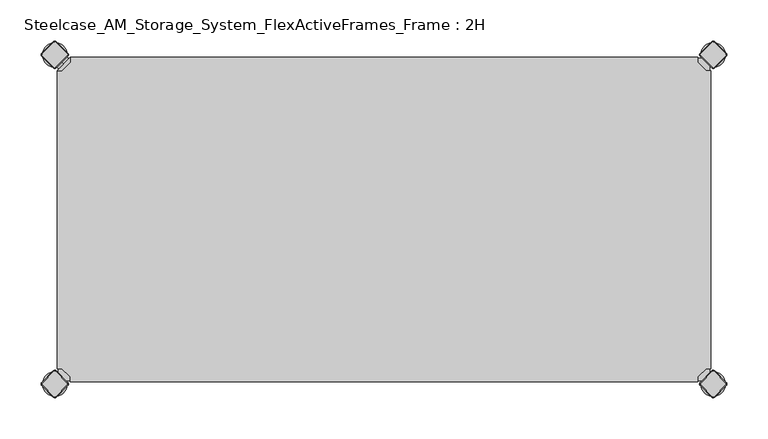
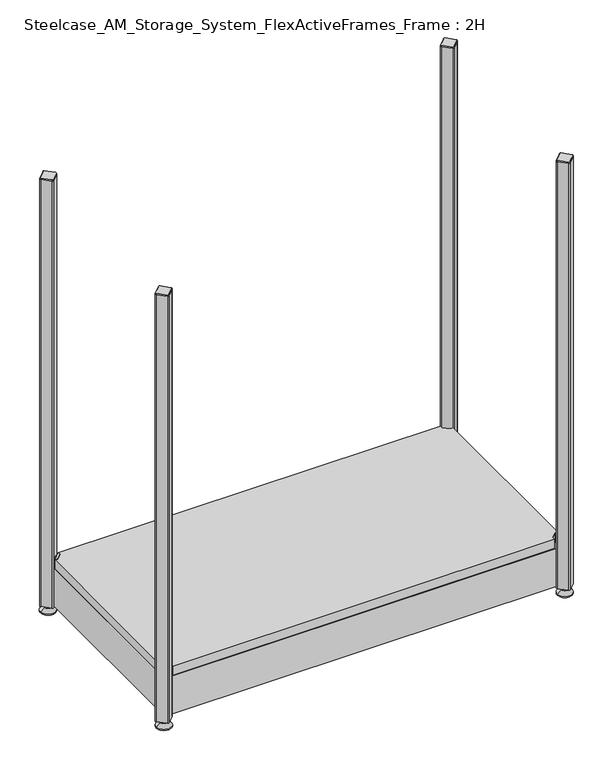
"""IFC4 building model written with IfcOpenShell, lengths in millimetres: furniture geometry, Steelcase_AM_Storage_System_FlexActiveFrames_Frame : 2H."""

import ifcopenshell
import ifcopenshell.guid

model = None  # the IFC model being written
_history = None  # IfcOwnerHistory: only IFC2X3 demands one
_inside = {}  # id of a spatial element -> (the spatial element, [elements in it])
_under = {}  # id of a project, library or spatial element -> (it, [spatial elements below it])
_declared = {}  # id of a project -> (the project, [libraries it declares])
_typed = {}  # id of a type object -> (the type object, [elements of that type])
_made_of = {}  # id of a material, layer set ... -> (it, [elements and type objects made of it])


def new_model(schema):
    """Start an empty IFC model of exactly this schema.

    Asked for "IFC4X3", IfcOpenShell would pick the latest addendum, in which some entities
    have other attributes; the version numbers below select the first issue.
    IFC2X3 requires an IfcOwnerHistory on every rooted entity: one is made here for all.
    """
    global model, _history
    if schema == "IFC4X3":
        model = ifcopenshell.file(schema_version=(4, 3, 0, 0))
    else:
        model = ifcopenshell.file(schema=schema)
    _inside.clear()
    _under.clear()
    _declared.clear()
    _typed.clear()
    _made_of.clear()
    _history = None
    if model.schema == "IFC2X3":
        org = make("IfcOrganization", Name="unknown")
        user = make(
            "IfcPersonAndOrganization",
            ThePerson=make("IfcPerson", FamilyName="unknown"),
            TheOrganization=org,
        )
        app = make(
            "IfcApplication",
            ApplicationDeveloper=org,
            Version="unknown",
            ApplicationFullName="unknown",
            ApplicationIdentifier="unknown",
        )
        _history = make(
            "IfcOwnerHistory",
            OwningUser=user,
            OwningApplication=app,
            ChangeAction="ADDED",
            CreationDate=0,
        )
    return model


def make(cls, **values):
    """One entity of the class cls with the attributes given. An attribute that is None is left unset."""
    return model.create_entity(
        cls, **{name: value for name, value in values.items() if value is not None}
    )


def rooted(cls, **values):
    """An entity with a GlobalId (a new one), such as an element, a storey or a relation."""
    return make(cls, GlobalId=ifcopenshell.guid.new(), OwnerHistory=_history, **values)


def si_unit(unit_type, name, prefix=None):
    """IfcSIUnit, for example si_unit("LENGTHUNIT", "METRE", prefix="MILLI")."""
    return make("IfcSIUnit", UnitType=unit_type, Prefix=prefix, Name=name)


def assignment(units):
    """IfcUnitAssignment: the units of a project."""
    return None if units is None else make("IfcUnitAssignment", Units=units)


def point(xyz):
    """IfcCartesianPoint."""
    return None if xyz is None else make("IfcCartesianPoint", Coordinates=xyz)


def direction(xyz):
    """IfcDirection."""
    return None if xyz is None else make("IfcDirection", DirectionRatios=xyz)


def frame(location, z_axis=None, x_axis=None):
    """IfcAxis2Placement3D, a coordinate frame: its origin and axes. An axis left out is left unset."""
    return make(
        "IfcAxis2Placement3D",
        Location=point(location),
        Axis=direction(z_axis),
        RefDirection=direction(x_axis),
    )


def frame_2d(location, x_axis=None):
    """IfcAxis2Placement2D, a coordinate frame in the plane: its origin and x axis."""
    return make(
        "IfcAxis2Placement2D", Location=point(location), RefDirection=direction(x_axis)
    )


def origin():
    """The frame at (0, 0, 0) with its axes left unset."""
    return frame((0.0, 0.0, 0.0))


def place(relative_to, where):
    """IfcLocalPlacement: puts the frame where relative to a parent placement (None: the world)."""
    return make(
        "IfcLocalPlacement", PlacementRelTo=relative_to, RelativePlacement=where
    )


def context(
    kind, dimensions, precision=None, world=None, true_north=None, identifier=None
):
    """IfcGeometricRepresentationContext, for example the 3D "Model" context."""
    return make(
        "IfcGeometricRepresentationContext",
        ContextIdentifier=identifier,
        ContextType=kind,
        CoordinateSpaceDimension=dimensions,
        Precision=precision,
        WorldCoordinateSystem=world,
        TrueNorth=true_north,
    )


def project(units=None, contexts=None):
    """IfcProject with its units and contexts."""
    return rooted(
        "IfcProject",
        Name="project",
        RepresentationContexts=contexts,
        UnitsInContext=assignment(units),
    )


def spatial(cls, under=None, at=None, **own):
    """A site, building, storey or space (cls), placed at a placement, below another one or the project."""
    s = rooted(cls, ObjectPlacement=at, **own)
    if under is not None:
        _under.setdefault(under.id(), (under, []))[1].append(s)
    return s


def polyline(points):
    """IfcPolyline through the points."""
    return make("IfcPolyline", Points=[point(p) for p in points])


def circle_curve(where, radius):
    """IfcCircle in the frame where."""
    return make("IfcCircle", Position=where, Radius=radius)


def trimmed(basis, trim1, trim2, sense, master):
    """IfcTrimmedCurve: the piece of a basis curve between two trims."""
    return make(
        "IfcTrimmedCurve",
        BasisCurve=basis,
        Trim1=trim1,
        Trim2=trim2,
        SenseAgreement=sense,
        MasterRepresentation=master,
    )


def segment(curve, same_sense, transition):
    """IfcCompositeCurveSegment."""
    return make(
        "IfcCompositeCurveSegment",
        Transition=transition,
        SameSense=same_sense,
        ParentCurve=curve,
    )


def composite_curve(segments, self_intersect=None):
    """IfcCompositeCurve: segments joined end to end."""
    return make("IfcCompositeCurve", Segments=segments, SelfIntersect=self_intersect)


def outline(outer, holes=None, kind="AREA"):
    """IfcArbitraryClosedProfileDef: a profile drawn as a closed curve; with holes, ...WithVoids."""
    if holes is None:
        return make("IfcArbitraryClosedProfileDef", ProfileType=kind, OuterCurve=outer)
    return make(
        "IfcArbitraryProfileDefWithVoids",
        ProfileType=kind,
        OuterCurve=outer,
        InnerCurves=holes,
    )


def extrude(swept, where, along, depth):
    """IfcExtrudedAreaSolid: the profile swept, set in the frame where, extruded along a direction by depth."""
    return make(
        "IfcExtrudedAreaSolid",
        SweptArea=swept,
        Position=where,
        ExtrudedDirection=direction(along),
        Depth=depth,
    )


def shape(context_of_items, identifier, shape_type, items):
    """IfcShapeRepresentation: the items that make up one representation, for example the "Body"."""
    return make(
        "IfcShapeRepresentation",
        ContextOfItems=context_of_items,
        RepresentationIdentifier=identifier,
        RepresentationType=shape_type,
        Items=items,
    )


def source(mapping_origin, context_of_items, identifier, shape_type, items):
    """IfcRepresentationMap: a shape defined once, which mapped items show again and again."""
    return make(
        "IfcRepresentationMap",
        MappingOrigin=mapping_origin,
        MappedRepresentation=shape(context_of_items, identifier, shape_type, items),
    )


def transform(
    local_origin,
    x_axis=None,
    y_axis=None,
    z_axis=None,
    scale=None,
    scale2=None,
    scale3=None,
    uniform=True,
):
    """IfcCartesianTransformationOperator3D, or its non-uniform kind. x_axis, y_axis, z_axis: its Axis1, 2, 3."""
    if uniform:
        return make(
            "IfcCartesianTransformationOperator3D",
            Axis1=direction(x_axis),
            Axis2=direction(y_axis),
            LocalOrigin=point(local_origin),
            Scale=scale,
            Axis3=direction(z_axis),
        )
    return make(
        "IfcCartesianTransformationOperator3DnonUniform",
        Axis1=direction(x_axis),
        Axis2=direction(y_axis),
        LocalOrigin=point(local_origin),
        Scale=scale,
        Axis3=direction(z_axis),
        Scale2=scale2,
        Scale3=scale3,
    )


def mapped(mapping_source, mapping_target):
    """IfcMappedItem: shows the shape of a source again, moved by a transform."""
    return make(
        "IfcMappedItem", MappingSource=mapping_source, MappingTarget=mapping_target
    )


def made_of(thing, what):
    """Note that an element or type object is made of a material, layer set ...; save() writes the relation."""
    if what is not None:
        _made_of.setdefault(what.id(), (what, []))[1].append(thing)
    return thing


def element(
    cls,
    number,
    at=None,
    inside=None,
    cuts=None,
    type_object=None,
    material=None,
    context=None,
    identifier="Body",
    shape_type=None,
    held_by="IfcProductDefinitionShape",
    body=None,
    shapes=None,
    **own,
):
    """One element of the class cls, such as IfcWall. Its Tag is "e" and its number.

    at: its placement. inside: the storey or other place that contains it. cuts: it is an
    opening in that element (IfcRelVoidsElement). A single representation is given by context,
    identifier, shape_type and body (its items); several are given by shapes. held_by: the class
    of the entity that holds the representations. save() writes the other relations.
    """
    e = rooted(cls, Tag="e%d" % number, ObjectPlacement=at, **own)
    if body is not None:
        shapes = [shape(context, identifier, shape_type, body)]
    if shapes is not None:
        e.Representation = make(held_by, Representations=shapes)
    if inside is not None:
        _inside.setdefault(inside.id(), (inside, []))[1].append(e)
    if cuts is not None:
        rooted(
            "IfcRelVoidsElement", RelatingBuildingElement=cuts, RelatedOpeningElement=e
        )
    if type_object is not None:
        _typed.setdefault(type_object.id(), (type_object, []))[1].append(e)
    return made_of(e, material)


def aggregate(whole, parts):
    """IfcRelAggregates: a whole, such as a stair, and the parts it consists of."""
    return rooted("IfcRelAggregates", RelatingObject=whole, RelatedObjects=parts)


def save(model, path):
    """Write the relations noted so far, then the file.

    IfcRelAggregates (storeys below a building ...), IfcRelContainedInSpatialStructure (elements
    in a storey), IfcRelDefinesByType, IfcRelAssociatesMaterial and IfcRelDeclares: one each for
    every whole, place, type object, material and project.
    """
    for whole, parts in _under.values():
        aggregate(whole, parts)
    for where, things in _inside.values():
        rooted(
            "IfcRelContainedInSpatialStructure",
            RelatedElements=things,
            RelatingStructure=where,
        )
    for kind, things in _typed.values():
        rooted("IfcRelDefinesByType", RelatedObjects=things, RelatingType=kind)
    for what, things in _made_of.values():
        rooted("IfcRelAssociatesMaterial", RelatedObjects=things, RelatingMaterial=what)
    for by, libraries in _declared.values():
        rooted("IfcRelDeclares", RelatingContext=by, RelatedDefinitions=libraries)
    model.write(path)


def plane_surface(at):
    """IfcPlane: the flat surface through the origin of the frame at, square to its z axis."""
    return make("IfcPlane", Position=at)


def cylinder_surface(at, radius):
    """IfcCylindricalSurface: all points at the distance radius from the z axis of the frame at."""
    return make("IfcCylindricalSurface", Position=at, Radius=radius)


def revolved_surface(curve, axis_point, axis_direction):
    """IfcSurfaceOfRevolution: the curve turned about the line through axis_point along axis_direction."""
    return make(
        "IfcSurfaceOfRevolution",
        SweptCurve=make("IfcArbitraryOpenProfileDef", ProfileType="CURVE", Curve=curve),
        AxisPosition=make("IfcAxis1Placement", Location=point(axis_point), Axis=direction(axis_direction)),
    )


def advanced_brep(points, edges, surfaces, faces):
    """IfcAdvancedBrep: a solid bounded by faces that lie on surfaces and meet in shared edges.

    An edge is (start, end): straight between two places in points (the first is 0);
    or (start, end, curve); or (start, end, curve, False) where it runs against its curve.
    A face is (place in surfaces, loops), or (place, loops, False) where it looks against
    its surface's normal. A loop lists edges by number (the first is 1), with a minus sign
    where the edge is run from its end to its start. The first loop is the outer one.
    """
    corners = [point(p) for p in points]
    vertices = [make("IfcVertexPoint", VertexGeometry=c) for c in corners]
    made = []
    for start, end, *more in edges:
        made.append(
            make(
                "IfcEdgeCurve",
                EdgeStart=vertices[start],
                EdgeEnd=vertices[end],
                EdgeGeometry=more[0] if more else make("IfcPolyline", Points=[corners[start], corners[end]]),
                SameSense=more[1] if len(more) > 1 else True,
            )
        )
    hull = []
    for where, loops, *sense in faces:
        bounds = []
        for j, loop in enumerate(loops):
            ring = [make("IfcOrientedEdge", EdgeElement=made[abs(k) - 1], Orientation=k > 0) for k in loop]
            bounds.append(
                make(
                    "IfcFaceOuterBound" if j == 0 else "IfcFaceBound",
                    Bound=make("IfcEdgeLoop", EdgeList=ring),
                    Orientation=True,
                )
            )
        hull.append(make("IfcAdvancedFace", Bounds=bounds, FaceSurface=surfaces[where], SameSense=sense[0] if sense else True))
    return make("IfcAdvancedBrep", Outer=make("IfcClosedShell", CfsFaces=hull))


def steelcase_am_storage_system_flexactiveframes_frame_2h_0c2cff49(model_context):
    return source(origin(), model_context, "Body", "SolidModel", [
        advanced_brep(
        [(10.9601551, -10.9601551, 98.5), (10.9601551, -10.9601551, 115.5), (10.9601551, -10.9601551, 107.0), (8.8388348, -8.8388348, 98.5), (8.8388348, -8.8388348, 115.5), (8.8388348, -8.8388348, 107.0)],
        [
            (0, 1, circle_curve(frame((10.9601551, -10.9601551, 107.0), z_axis=(0.7071067811865464, -0.7071067811865487, 0.0), x_axis=(0.0, 0.0, 1.0)), 8.5)),
            (1, 2),
            (2, 0),
            (1, 0, circle_curve(frame((10.9601551, -10.9601551, 107.0), z_axis=(0.7071067811865464, -0.7071067811865487, 0.0), x_axis=(0.0, 0.0, 1.0)), 8.5)),
            (3, 4, circle_curve(frame((8.8388348, -8.8388348, 107.0), z_axis=(0.7071067811865464, -0.7071067811865487, 0.0), x_axis=(0.0, 0.0, 1.0)), 8.5)),
            (4, 1),
            (0, 3),
            (4, 3, circle_curve(frame((8.8388348, -8.8388348, 107.0), z_axis=(0.7071067811865464, -0.7071067811865487, 0.0), x_axis=(0.0, 0.0, 1.0)), 8.5)),
            (5, 4),
            (3, 5),
        ],
        [
            plane_surface(frame((10.9601551, -10.9601551, 107.0), z_axis=(0.707106781186546, -0.7071067811865491, 0.0), x_axis=(0.0, 0.0, 1.0))),
            cylinder_surface(frame((8.8388348, -8.8388348, 107.0), z_axis=(-0.7071067811865464, 0.7071067811865487, 0.0), x_axis=(0.0, 0.0, 1.0)), 8.5),
            plane_surface(frame((8.8388348, -8.8388348, 107.0), z_axis=(-0.707106781186546, 0.7071067811865491, 0.0), x_axis=(0.0, 0.0, 1.0))),
        ],
        [
            (0, [[1, 2, 3]]),
            (0, [[4, -3, -2]]),
            (1, [[5, 6, -1, 7]]),
            (1, [[8, -7, -4, -6]]),
            (2, [[9, -5, 10]]),
            (2, [[-10, -8, -9]]),
        ],
    ),
        advanced_brep(
        [(18.9203102, -3.0, 117.0), (3.0, -18.9203102, 117.0), (8.6568542, -18.9203102, 117.0), (18.9203102, -8.6568542, 117.0), (18.9203102, -3.0, 98.0), (18.9203102, -3.0, 97.0), (3.0, -18.9203102, 97.0), (3.0, -18.9203102, 98.0), (8.6568542, -18.9203102, 98.0), (18.9203102, -8.6568542, 98.0), (31.8093975, -47.7297077, 98.0), (47.7297077, -31.8093975, 98.0), (47.7297077, -31.8093975, 97.0), (31.8093975, -47.7297077, 97.0)],
        [
            (0, 1),
            (1, 2),
            (2, 3),
            (3, 0),
            (0, 4),
            (4, 5),
            (5, 6),
            (6, 7),
            (7, 1),
            (2, 8),
            (8, 9),
            (9, 3),
            (9, 4),
            (7, 8),
            (7, 10),
            (10, 11, circle_curve(frame((39.7695526, -39.7695526, 98.0), z_axis=(0.0, 0.0, 1.0), x_axis=(1.0, 0.0, 0.0)), 11.2573593)),
            (11, 4),
            (5, 12),
            (12, 13, circle_curve(frame((39.7695526, -39.7695526, 97.0), z_axis=(0.0, 0.0, -1.0), x_axis=(1.0, 0.0, 0.0)), 11.2573593)),
            (13, 6),
            (13, 10),
            (12, 11),
        ],
        [
            plane_surface(frame((-38.8756299, -60.7959401, 117.0), z_axis=(0.0, 0.0, 1.0000000000000002), x_axis=(-0.7071067811865557, -0.7071067811865395, 0.0))),
            plane_surface(frame((18.9203102, -3.0, 117.0), z_axis=(-0.7071067811865395, 0.7071067811865557, 0.0), x_axis=(0.0, 0.0, -1.0))),
            plane_surface(frame((8.6568542, -18.9203102, 117.0), z_axis=(0.7071067811865481, -0.7071067811865469, 0.0), x_axis=(0.0, 0.0, -1.0))),
            plane_surface(frame((18.9203102, -8.6568542, 117.0), z_axis=(1.0, 0.0, 0.0), x_axis=(0.0, 0.0, -1.0))),
            plane_surface(frame((3.0, -18.9203102, 117.0), z_axis=(0.0, -1.0, 0.0), x_axis=(0.0, 0.0, -1.0))),
            plane_surface(frame((3.0, -18.9203102, 98.0), z_axis=(0.0, 0.0, 1.0), x_axis=(-0.7071067811865485, -0.7071067811865466, 0.0))),
            plane_surface(frame((3.0, -18.9203102, 97.0), z_axis=(0.0, 0.0, -1.0), x_axis=(0.7071067811865485, 0.7071067811865466, 0.0))),
            plane_surface(frame((3.0, -18.9203102, 98.0), z_axis=(-0.7071067811865491, -0.707106781186546, 0.0), x_axis=(0.0, 0.0, -1.0))),
            cylinder_surface(frame((39.7695526, -39.7695526, 97.0), z_axis=(0.0, 0.0, 1.0), x_axis=(1.0, 0.0, 0.0)), 11.2573593),
            plane_surface(frame((47.7297077, -31.8093975, 98.0), z_axis=(0.707106781186548, 0.7071067811865471, 0.0), x_axis=(0.0, 0.0, -1.0))),
        ],
        [
            (0, [[1, 2, 3, 4]]),
            (1, [[-1, 5, 6, 7, 8, 9]]),
            (2, [[-3, 10, 11, 12]]),
            (3, [[-4, -12, 13, -5]]),
            (4, [[-2, -9, 14, -10]]),
            (5, [[15, 16, 17, -13, -11, -14]]),
            (6, [[18, 19, 20, -7]]),
            (7, [[-15, -8, -20, 21]]),
            (8, [[-16, -21, -19, 22]]),
            (9, [[-17, -22, -18, -6]]),
        ],
    ),
        extrude(outline(polyline([(781.0796898, -3.0), (781.0796898, -8.6568542), (791.3431458, -18.9203102), (797.0, -18.9203102), (797.0, -381.0796898), (791.3431458, -381.0796898), (781.0796898, -391.3431458), (781.0796898, -397.0), (18.9203102, -397.0), (18.9203102, -391.3431458), (8.6568542, -381.0796898), (3.0, -381.0796898), (3.0, -18.9203102), (8.6568542, -18.9203102), (18.9203102, -8.6568542), (18.9203102, -3.0), (781.0796898, -3.0)])), frame((0.0, 0.0, 98.0), z_axis=(0.0, 0.0, 1.0), x_axis=(1.0, 0.0, 0.0)), (0.0, 0.0, 1.0), 19.0),
        advanced_brep(
        [(785.0, -400.0, 0.0), (815.0, -400.0, 0.0), (800.0, -400.0, 0.0), (785.0, -400.0, 2.0), (815.0, -400.0, 2.0), (792.0, -400.0, 9.0), (808.0, -400.0, 9.0), (796.0, -400.0, 9.0), (804.0, -400.0, 9.0), (796.0, -400.0, 15.0), (804.0, -400.0, 15.0), (800.0, -400.0, 15.0)],
        [
            (0, 1, circle_curve(frame((800.0, -400.0, 0.0), z_axis=(0.0, 0.0, -1.0), x_axis=(1.0, 0.0, 0.0)), 15.0)),
            (1, 2),
            (2, 0),
            (1, 0, circle_curve(frame((800.0, -400.0, 0.0), z_axis=(0.0, 0.0, -1.0), x_axis=(1.0, 0.0, 0.0)), 15.0)),
            (3, 4, circle_curve(frame((800.0, -400.0, 2.0), z_axis=(0.0, 0.0, -1.0), x_axis=(1.0, 0.0, 0.0)), 15.0)),
            (4, 1),
            (0, 3),
            (4, 3, circle_curve(frame((800.0, -400.0, 2.0), z_axis=(0.0, 0.0, -1.0), x_axis=(1.0, 0.0, 0.0)), 15.0)),
            (5, 6, circle_curve(frame((800.0, -400.0, 9.0), z_axis=(0.0, 0.0, -1.0), x_axis=(1.0, 0.0, 0.0)), 8.0)),
            (6, 4),
            (3, 5),
            (6, 5, circle_curve(frame((800.0, -400.0, 9.0), z_axis=(0.0, 0.0, -1.0), x_axis=(1.0, 0.0, 0.0)), 8.0)),
            (7, 8, circle_curve(frame((800.0, -400.0, 9.0), z_axis=(0.0, 0.0, -1.0), x_axis=(1.0, 0.0, 0.0)), 4.0)),
            (8, 6),
            (5, 7),
            (8, 7, circle_curve(frame((800.0, -400.0, 9.0), z_axis=(0.0, 0.0, -1.0), x_axis=(1.0, 0.0, 0.0)), 4.0)),
            (9, 10, circle_curve(frame((800.0, -400.0, 15.0), z_axis=(0.0, 0.0, -1.0), x_axis=(1.0, 0.0, 0.0)), 4.0)),
            (10, 8),
            (7, 9),
            (10, 9, circle_curve(frame((800.0, -400.0, 15.0), z_axis=(0.0, 0.0, -1.0), x_axis=(1.0, 0.0, 0.0)), 4.0)),
            (11, 10),
            (9, 11),
        ],
        [
            plane_surface(frame((800.0, -400.0, 0.0), z_axis=(0.0, 0.0, -1.0), x_axis=(1.0, 0.0, 0.0))),
            cylinder_surface(frame((800.0, -400.0, 18.6083303), z_axis=(0.0, 0.0, 1.0), x_axis=(1.0, 0.0, 0.0)), 15.0),
            revolved_surface(polyline([(815.0, -400.0, 2.0), (808.0, -400.0, 9.0)]), (800.0, -400.0, 18.6083303), (0.0, 0.0, 1.0)),
            plane_surface(frame((800.0, -400.0, 9.0), z_axis=(0.0, 0.0, 1.0), x_axis=(1.0, 0.0, 0.0))),
            cylinder_surface(frame((800.0, -400.0, 18.6083303), z_axis=(0.0, 0.0, 1.0), x_axis=(1.0, 0.0, 0.0)), 4.0),
            plane_surface(frame((800.0, -400.0, 15.0), z_axis=(0.0, 0.0, 1.0), x_axis=(1.0, 0.0, 0.0))),
        ],
        [
            (0, [[1, 2, 3]]),
            (0, [[4, -3, -2]]),
            (1, [[5, 6, -1, 7]]),
            (1, [[8, -7, -4, -6]]),
            (2, [[9, 10, -5, 11]]),
            (2, [[12, -11, -8, -10]]),
            (3, [[13, 14, -9, 15]]),
            (3, [[16, -15, -12, -14]]),
            (4, [[17, 18, -13, 19]]),
            (4, [[20, -19, -16, -18]]),
            (5, [[21, -17, 22]]),
            (5, [[-22, -20, -21]]),
        ],
    ),
        advanced_brep(
        [(798.7979185, -384.6557828, 917.0), (784.6557828, -398.7979185, 917.0), (784.6557828, -401.2020815, 917.0), (798.7979185, -415.3442172, 917.0), (801.2020815, -415.3442172, 917.0), (815.3442172, -401.2020815, 917.0), (815.3442172, -398.7979185, 917.0), (801.2020815, -384.6557828, 917.0), (798.232233, -384.0900974, 915.0), (801.767767, -384.0900974, 915.0), (815.9099026, -398.232233, 915.0), (815.9099026, -401.767767, 915.0), (801.767767, -415.9099026, 915.0), (798.232233, -415.9099026, 915.0), (784.0900974, -401.767767, 915.0), (784.0900974, -398.232233, 915.0)],
        [
            (0, 1),
            (1, 2, circle_curve(frame((785.8578644, -400.0, 917.0), z_axis=(0.0, 0.0, 1.0), x_axis=(-0.7071067811865537, 0.7071067811865414, 0.0)), 1.7)),
            (2, 3),
            (3, 4, circle_curve(frame((800.0, -414.1421356, 917.0), z_axis=(0.0, 0.0, 1.0), x_axis=(-0.7071067811865491, -0.707106781186546, 0.0)), 1.7)),
            (4, 5),
            (5, 6, circle_curve(frame((814.1421356, -400.0, 917.0), z_axis=(0.0, 0.0, 1.0), x_axis=(0.707106781186539, -0.7071067811865559, 0.0)), 1.7)),
            (6, 7),
            (7, 0, circle_curve(frame((800.0, -385.8578644, 917.0), z_axis=(0.0, 0.0, 1.0), x_axis=(0.7071067811865458, 0.7071067811865492, 0.0)), 1.7)),
            (8, 9, circle_curve(frame((800.0, -385.8578644, 915.0), z_axis=(0.0, 0.0, -1.0), x_axis=(0.7071067811865458, 0.7071067811865492, 0.0)), 2.5)),
            (9, 10),
            (10, 11, circle_curve(frame((814.1421356, -400.0, 915.0), z_axis=(0.0, 0.0, -1.0), x_axis=(0.707106781186539, -0.7071067811865559, 0.0)), 2.5)),
            (11, 12),
            (12, 13, circle_curve(frame((800.0, -414.1421356, 915.0), z_axis=(0.0, 0.0, -1.0), x_axis=(-0.7071067811865491, -0.707106781186546, 0.0)), 2.5)),
            (13, 14),
            (14, 15, circle_curve(frame((785.8578644, -400.0, 915.0), z_axis=(0.0, 0.0, -1.0), x_axis=(-0.7071067811865537, 0.7071067811865414, 0.0)), 2.5)),
            (15, 8),
            (15, 1),
            (0, 8),
            (14, 2),
            (13, 3),
            (12, 4),
            (11, 5),
            (10, 6),
            (9, 7),
        ],
        [
            plane_surface(frame((800.0, -400.0, 917.0), z_axis=(0.0, 0.0, 1.0), x_axis=(-0.7071067811865486, 0.7071067811865466, 0.0))),
            plane_surface(frame((800.0, -400.0, 915.0), z_axis=(0.0, 0.0, -1.0), x_axis=(-0.7071067811865486, 0.7071067811865466, 0.0))),
            plane_surface(frame((791.1611652, -391.1611652, 915.0), z_axis=(-0.6565321642986388, 0.6565321642986298, 0.3713906763540281), x_axis=(-0.7071067811865408, -0.7071067811865543, 0.0))),
            revolved_surface(polyline([(784.65578284, -398.79791844, 917.0), (784.0900974, -398.232233, 915.0)]), (785.8578644, -400.0, 921.25), (0.0, 0.0, -1.0)),
            plane_surface(frame((791.1611652, -408.8388348, 915.0), z_axis=(-0.6565321642986306, -0.656532164298643, 0.3713906763540188), x_axis=(0.7071067811865523, -0.7071067811865428, 0.0))),
            revolved_surface(polyline([(798.79791844, -415.34421716, 917.0), (798.232233, -415.9099026, 915.0)]), (800.0, -414.1421356, 921.25), (0.0, 0.0, -1.0)),
            plane_surface(frame((808.8388348, -408.8388348, 915.0), z_axis=(0.6565321642986299, -0.656532164298642, 0.3713906763540221), x_axis=(0.7071067811865541, 0.707106781186541, 0.0))),
            revolved_surface(polyline([(815.34421716, -401.20208156, 917.0), (815.9099026, -401.767767, 915.0)]), (814.1421356, -400.0, 921.25), (0.0, 0.0, -1.0)),
            plane_surface(frame((808.8388348, -391.1611652, 915.0), z_axis=(0.6565321642986411, 0.6565321642986284, 0.37139067635402634), x_axis=(-0.7071067811865407, 0.7071067811865545, 0.0))),
            revolved_surface(polyline([(801.20208156, -384.65578284, 917.0), (801.767767, -384.0900974, 915.0)]), (800.0, -385.8578644, 921.25), (0.0, 0.0, -1.0)),
        ],
        [
            (0, [[1, 2, 3, 4, 5, 6, 7, 8]]),
            (1, [[9, 10, 11, 12, 13, 14, 15, 16]]),
            (2, [[-16, 17, -1, 18]]),
            (3, [[-15, 19, -2, -17]]),
            (4, [[-14, 20, -3, -19]]),
            (5, [[-13, 21, -4, -20]]),
            (6, [[-12, 22, -5, -21]]),
            (7, [[-11, 23, -6, -22]]),
            (8, [[-10, 24, -7, -23]]),
            (9, [[-9, -18, -8, -24]]),
        ],
    ),
        extrude(outline(composite_curve([segment(trimmed(circle_curve(frame_2d((814.1421356, -400.0)), 2.5), [point((815.9099026, -398.232233))], [point((815.9099026, -401.767767))], False, "CARTESIAN"), True, "CONTINUOUS"), segment(polyline([(815.9099026, -401.767767), (801.767767, -415.9099026)]), True, "CONTINUOUS"), segment(trimmed(circle_curve(frame_2d((800.0, -414.1421356)), 2.5), [point((801.767767, -415.9099026))], [point((798.232233, -415.9099026))], False, "CARTESIAN"), True, "CONTINUOUS"), segment(polyline([(798.232233, -415.9099026), (784.0900974, -401.767767)]), True, "CONTINUOUS"), segment(trimmed(circle_curve(frame_2d((785.8578644, -400.0)), 2.5), [point((784.0900974, -401.767767))], [point((784.0900974, -398.232233))], False, "CARTESIAN"), True, "CONTINUOUS"), segment(polyline([(784.0900974, -398.232233), (798.232233, -384.0900974)]), True, "CONTINUOUS"), segment(trimmed(circle_curve(frame_2d((800.0, -385.8578644)), 2.5), [point((798.232233, -384.0900974))], [point((801.767767, -384.0900974))], False, "CARTESIAN"), True, "CONTINUOUS"), segment(polyline([(801.767767, -384.0900974), (815.9099026, -398.232233)]), True, "CONTINUOUS")], self_intersect=False)), frame((0.0, 0.0, 15.0), z_axis=(0.0, 0.0, 1.0), x_axis=(1.0, 0.0, 0.0)), (0.0, 0.0, 1.0), 900.0),
        advanced_brep(
        [(785.0, 0.0, 0.0), (815.0, 0.0, 0.0), (800.0, 0.0, 0.0), (785.0, 0.0, 2.0), (815.0, 0.0, 2.0), (792.0, 0.0, 9.0), (808.0, 0.0, 9.0), (796.0, 0.0, 9.0), (804.0, 0.0, 9.0), (796.0, 0.0, 15.0), (804.0, 0.0, 15.0), (800.0, 0.0, 15.0)],
        [
            (0, 1, circle_curve(frame((800.0, 0.0, 0.0), z_axis=(0.0, 0.0, -1.0), x_axis=(1.0, 0.0, 0.0)), 15.0)),
            (1, 2),
            (2, 0),
            (1, 0, circle_curve(frame((800.0, 0.0, 0.0), z_axis=(0.0, 0.0, -1.0), x_axis=(1.0, 0.0, 0.0)), 15.0)),
            (3, 4, circle_curve(frame((800.0, 0.0, 2.0), z_axis=(0.0, 0.0, -1.0), x_axis=(1.0, 0.0, 0.0)), 15.0)),
            (4, 1),
            (0, 3),
            (4, 3, circle_curve(frame((800.0, 0.0, 2.0), z_axis=(0.0, 0.0, -1.0), x_axis=(1.0, 0.0, 0.0)), 15.0)),
            (5, 6, circle_curve(frame((800.0, 0.0, 9.0), z_axis=(0.0, 0.0, -1.0), x_axis=(1.0, 0.0, 0.0)), 8.0)),
            (6, 4),
            (3, 5),
            (6, 5, circle_curve(frame((800.0, 0.0, 9.0), z_axis=(0.0, 0.0, -1.0), x_axis=(1.0, 0.0, 0.0)), 8.0)),
            (7, 8, circle_curve(frame((800.0, 0.0, 9.0), z_axis=(0.0, 0.0, -1.0), x_axis=(1.0, 0.0, 0.0)), 4.0)),
            (8, 6),
            (5, 7),
            (8, 7, circle_curve(frame((800.0, 0.0, 9.0), z_axis=(0.0, 0.0, -1.0), x_axis=(1.0, 0.0, 0.0)), 4.0)),
            (9, 10, circle_curve(frame((800.0, 0.0, 15.0), z_axis=(0.0, 0.0, -1.0), x_axis=(1.0, 0.0, 0.0)), 4.0)),
            (10, 8),
            (7, 9),
            (10, 9, circle_curve(frame((800.0, 0.0, 15.0), z_axis=(0.0, 0.0, -1.0), x_axis=(1.0, 0.0, 0.0)), 4.0)),
            (11, 10),
            (9, 11),
        ],
        [
            plane_surface(frame((800.0, 0.0, 0.0), z_axis=(0.0, 0.0, -1.0), x_axis=(1.0, 0.0, 0.0))),
            cylinder_surface(frame((800.0, 0.0, 18.6083303), z_axis=(0.0, 0.0, 1.0), x_axis=(1.0, 0.0, 0.0)), 15.0),
            revolved_surface(polyline([(815.0, 0.0, 2.0), (808.0, 0.0, 9.0)]), (800.0, 0.0, 18.6083303), (0.0, 0.0, 1.0)),
            plane_surface(frame((800.0, 0.0, 9.0), z_axis=(0.0, 0.0, 1.0), x_axis=(1.0, 0.0, 0.0))),
            cylinder_surface(frame((800.0, 0.0, 18.6083303), z_axis=(0.0, 0.0, 1.0), x_axis=(1.0, 0.0, 0.0)), 4.0),
            plane_surface(frame((800.0, 0.0, 15.0), z_axis=(0.0, 0.0, 1.0), x_axis=(1.0, 0.0, 0.0))),
        ],
        [
            (0, [[1, 2, 3]]),
            (0, [[4, -3, -2]]),
            (1, [[5, 6, -1, 7]]),
            (1, [[8, -7, -4, -6]]),
            (2, [[9, 10, -5, 11]]),
            (2, [[12, -11, -8, -10]]),
            (3, [[13, 14, -9, 15]]),
            (3, [[16, -15, -12, -14]]),
            (4, [[17, 18, -13, 19]]),
            (4, [[20, -19, -16, -18]]),
            (5, [[21, -17, 22]]),
            (5, [[-22, -20, -21]]),
        ],
    ),
        advanced_brep(
        [(798.7979185, 15.3442172, 917.0), (784.6557828, 1.2020815, 917.0), (784.6557828, -1.2020815, 917.0), (798.7979185, -15.3442172, 917.0), (801.2020815, -15.3442172, 917.0), (815.3442172, -1.2020815, 917.0), (815.3442172, 1.2020815, 917.0), (801.2020815, 15.3442172, 917.0), (798.232233, 15.9099026, 915.0), (801.767767, 15.9099026, 915.0), (815.9099026, 1.767767, 915.0), (815.9099026, -1.767767, 915.0), (801.767767, -15.9099026, 915.0), (798.232233, -15.9099026, 915.0), (784.0900974, -1.767767, 915.0), (784.0900974, 1.767767, 915.0)],
        [
            (0, 1),
            (1, 2, circle_curve(frame((785.8578644, 0.0, 917.0), z_axis=(0.0, 0.0, 1.0), x_axis=(-0.7071067811865537, 0.7071067811865414, 0.0)), 1.7)),
            (2, 3),
            (3, 4, circle_curve(frame((800.0, -14.1421356, 917.0), z_axis=(0.0, 0.0, 1.0), x_axis=(-0.7071067811865491, -0.707106781186546, 0.0)), 1.7)),
            (4, 5),
            (5, 6, circle_curve(frame((814.1421356, 0.0, 917.0), z_axis=(0.0, 0.0, 1.0), x_axis=(0.707106781186539, -0.7071067811865559, 0.0)), 1.7)),
            (6, 7),
            (7, 0, circle_curve(frame((800.0, 14.1421356, 917.0), z_axis=(0.0, 0.0, 1.0), x_axis=(0.7071067811865458, 0.7071067811865492, 0.0)), 1.7)),
            (8, 9, circle_curve(frame((800.0, 14.1421356, 915.0), z_axis=(0.0, 0.0, -1.0), x_axis=(0.7071067811865458, 0.7071067811865492, 0.0)), 2.5)),
            (9, 10),
            (10, 11, circle_curve(frame((814.1421356, 0.0, 915.0), z_axis=(0.0, 0.0, -1.0), x_axis=(0.707106781186539, -0.7071067811865559, 0.0)), 2.5)),
            (11, 12),
            (12, 13, circle_curve(frame((800.0, -14.1421356, 915.0), z_axis=(0.0, 0.0, -1.0), x_axis=(-0.7071067811865491, -0.707106781186546, 0.0)), 2.5)),
            (13, 14),
            (14, 15, circle_curve(frame((785.8578644, 0.0, 915.0), z_axis=(0.0, 0.0, -1.0), x_axis=(-0.7071067811865537, 0.7071067811865414, 0.0)), 2.5)),
            (15, 8),
            (15, 1),
            (0, 8),
            (14, 2),
            (13, 3),
            (12, 4),
            (11, 5),
            (10, 6),
            (9, 7),
        ],
        [
            plane_surface(frame((800.0, 0.0, 917.0), z_axis=(0.0, 0.0, 1.0), x_axis=(-0.7071067811865486, 0.7071067811865466, 0.0))),
            plane_surface(frame((800.0, 0.0, 915.0), z_axis=(0.0, 0.0, -1.0), x_axis=(-0.7071067811865486, 0.7071067811865466, 0.0))),
            plane_surface(frame((791.1611652, 8.8388348, 915.0), z_axis=(-0.6565321642986388, 0.6565321642986298, 0.3713906763540281), x_axis=(-0.7071067811865408, -0.7071067811865543, 0.0))),
            revolved_surface(polyline([(784.65578284, 1.20208156, 917.0), (784.0900974, 1.767767, 915.0)]), (785.8578644, 0.0, 921.25), (0.0, 0.0, -1.0)),
            plane_surface(frame((791.1611652, -8.8388348, 915.0), z_axis=(-0.6565321642986306, -0.656532164298643, 0.3713906763540188), x_axis=(0.7071067811865523, -0.7071067811865428, 0.0))),
            revolved_surface(polyline([(798.79791844, -15.34421716, 917.0), (798.232233, -15.9099026, 915.0)]), (800.0, -14.1421356, 921.25), (0.0, 0.0, -1.0)),
            plane_surface(frame((808.8388348, -8.8388348, 915.0), z_axis=(0.6565321642986299, -0.656532164298642, 0.3713906763540221), x_axis=(0.7071067811865541, 0.707106781186541, 0.0))),
            revolved_surface(polyline([(815.34421716, -1.20208156, 917.0), (815.9099026, -1.767767, 915.0)]), (814.1421356, 0.0, 921.25), (0.0, 0.0, -1.0)),
            plane_surface(frame((808.8388348, 8.8388348, 915.0), z_axis=(0.6565321642986411, 0.6565321642986284, 0.37139067635402634), x_axis=(-0.7071067811865407, 0.7071067811865545, 0.0))),
            revolved_surface(polyline([(801.20208156, 15.34421716, 917.0), (801.767767, 15.9099026, 915.0)]), (800.0, 14.1421356, 921.25), (0.0, 0.0, -1.0)),
        ],
        [
            (0, [[1, 2, 3, 4, 5, 6, 7, 8]]),
            (1, [[9, 10, 11, 12, 13, 14, 15, 16]]),
            (2, [[-16, 17, -1, 18]]),
            (3, [[-15, 19, -2, -17]]),
            (4, [[-14, 20, -3, -19]]),
            (5, [[-13, 21, -4, -20]]),
            (6, [[-12, 22, -5, -21]]),
            (7, [[-11, 23, -6, -22]]),
            (8, [[-10, 24, -7, -23]]),
            (9, [[-9, -18, -8, -24]]),
        ],
    ),
        extrude(outline(composite_curve([segment(trimmed(circle_curve(frame_2d((814.1421356, 0.0)), 2.5), [point((815.9099026, 1.767767))], [point((815.9099026, -1.767767))], False, "CARTESIAN"), True, "CONTINUOUS"), segment(polyline([(815.9099026, -1.767767), (801.767767, -15.9099026)]), True, "CONTINUOUS"), segment(trimmed(circle_curve(frame_2d((800.0, -14.1421356)), 2.5), [point((801.767767, -15.9099026))], [point((798.232233, -15.9099026))], False, "CARTESIAN"), True, "CONTINUOUS"), segment(polyline([(798.232233, -15.9099026), (784.0900974, -1.767767)]), True, "CONTINUOUS"), segment(trimmed(circle_curve(frame_2d((785.8578644, 0.0)), 2.5), [point((784.0900974, -1.767767))], [point((784.0900974, 1.767767))], False, "CARTESIAN"), True, "CONTINUOUS"), segment(polyline([(784.0900974, 1.767767), (798.232233, 15.9099026)]), True, "CONTINUOUS"), segment(trimmed(circle_curve(frame_2d((800.0, 14.1421356)), 2.5), [point((798.232233, 15.9099026))], [point((801.767767, 15.9099026))], False, "CARTESIAN"), True, "CONTINUOUS"), segment(polyline([(801.767767, 15.9099026), (815.9099026, 1.767767)]), True, "CONTINUOUS")], self_intersect=False)), frame((0.0, 0.0, 15.0), z_axis=(0.0, 0.0, 1.0), x_axis=(1.0, 0.0, 0.0)), (0.0, 0.0, 1.0), 900.0),
        advanced_brep(
        [(-15.0, -400.0, 0.0), (15.0, -400.0, 0.0), (0.0, -400.0, 0.0), (-15.0, -400.0, 2.0), (15.0, -400.0, 2.0), (-8.0, -400.0, 9.0), (8.0, -400.0, 9.0), (-4.0, -400.0, 9.0), (4.0, -400.0, 9.0), (-4.0, -400.0, 15.0), (4.0, -400.0, 15.0), (0.0, -400.0, 15.0)],
        [
            (0, 1, circle_curve(frame((0.0, -400.0, 0.0), z_axis=(0.0, 0.0, -1.0), x_axis=(1.0, 0.0, 0.0)), 15.0)),
            (1, 2),
            (2, 0),
            (1, 0, circle_curve(frame((0.0, -400.0, 0.0), z_axis=(0.0, 0.0, -1.0), x_axis=(1.0, 0.0, 0.0)), 15.0)),
            (3, 4, circle_curve(frame((0.0, -400.0, 2.0), z_axis=(0.0, 0.0, -1.0), x_axis=(1.0, 0.0, 0.0)), 15.0)),
            (4, 1),
            (0, 3),
            (4, 3, circle_curve(frame((0.0, -400.0, 2.0), z_axis=(0.0, 0.0, -1.0), x_axis=(1.0, 0.0, 0.0)), 15.0)),
            (5, 6, circle_curve(frame((0.0, -400.0, 9.0), z_axis=(0.0, 0.0, -1.0), x_axis=(1.0, 0.0, 0.0)), 8.0)),
            (6, 4),
            (3, 5),
            (6, 5, circle_curve(frame((0.0, -400.0, 9.0), z_axis=(0.0, 0.0, -1.0), x_axis=(1.0, 0.0, 0.0)), 8.0)),
            (7, 8, circle_curve(frame((0.0, -400.0, 9.0), z_axis=(0.0, 0.0, -1.0), x_axis=(1.0, 0.0, 0.0)), 4.0)),
            (8, 6),
            (5, 7),
            (8, 7, circle_curve(frame((0.0, -400.0, 9.0), z_axis=(0.0, 0.0, -1.0), x_axis=(1.0, 0.0, 0.0)), 4.0)),
            (9, 10, circle_curve(frame((0.0, -400.0, 15.0), z_axis=(0.0, 0.0, -1.0), x_axis=(1.0, 0.0, 0.0)), 4.0)),
            (10, 8),
            (7, 9),
            (10, 9, circle_curve(frame((0.0, -400.0, 15.0), z_axis=(0.0, 0.0, -1.0), x_axis=(1.0, 0.0, 0.0)), 4.0)),
            (11, 10),
            (9, 11),
        ],
        [
            plane_surface(frame((0.0, -400.0, 0.0), z_axis=(0.0, 0.0, -1.0), x_axis=(1.0, 0.0, 0.0))),
            cylinder_surface(frame((0.0, -400.0, 18.6083303), z_axis=(0.0, 0.0, 1.0), x_axis=(1.0, 0.0, 0.0)), 15.0),
            revolved_surface(polyline([(15.0, -400.0, 2.0), (8.0, -400.0, 9.0)]), (0.0, -400.0, 18.6083303), (0.0, 0.0, 1.0)),
            plane_surface(frame((0.0, -400.0, 9.0), z_axis=(0.0, 0.0, 1.0), x_axis=(1.0, 0.0, 0.0))),
            cylinder_surface(frame((0.0, -400.0, 18.6083303), z_axis=(0.0, 0.0, 1.0), x_axis=(1.0, 0.0, 0.0)), 4.0),
            plane_surface(frame((0.0, -400.0, 15.0), z_axis=(0.0, 0.0, 1.0), x_axis=(1.0, 0.0, 0.0))),
        ],
        [
            (0, [[1, 2, 3]]),
            (0, [[4, -3, -2]]),
            (1, [[5, 6, -1, 7]]),
            (1, [[8, -7, -4, -6]]),
            (2, [[9, 10, -5, 11]]),
            (2, [[12, -11, -8, -10]]),
            (3, [[13, 14, -9, 15]]),
            (3, [[16, -15, -12, -14]]),
            (4, [[17, 18, -13, 19]]),
            (4, [[20, -19, -16, -18]]),
            (5, [[21, -17, 22]]),
            (5, [[-22, -20, -21]]),
        ],
    ),
        advanced_brep(
        [(-1.2020815, -384.6557828, 917.0), (-15.3442172, -398.7979185, 917.0), (-15.3442172, -401.2020815, 917.0), (-1.2020815, -415.3442172, 917.0), (1.2020815, -415.3442172, 917.0), (15.3442172, -401.2020815, 917.0), (15.3442172, -398.7979185, 917.0), (1.2020815, -384.6557828, 917.0), (-1.767767, -384.0900974, 915.0), (1.767767, -384.0900974, 915.0), (15.9099026, -398.232233, 915.0), (15.9099026, -401.767767, 915.0), (1.767767, -415.9099026, 915.0), (-1.767767, -415.9099026, 915.0), (-15.9099026, -401.767767, 915.0), (-15.9099026, -398.232233, 915.0)],
        [
            (0, 1),
            (1, 2, circle_curve(frame((-14.1421356, -400.0, 917.0), z_axis=(0.0, 0.0, 1.0), x_axis=(-0.7071067811865537, 0.7071067811865414, 0.0)), 1.7)),
            (2, 3),
            (3, 4, circle_curve(frame((0.0, -414.1421356, 917.0), z_axis=(0.0, 0.0, 1.0), x_axis=(-0.7071067811865491, -0.707106781186546, 0.0)), 1.7)),
            (4, 5),
            (5, 6, circle_curve(frame((14.1421356, -400.0, 917.0), z_axis=(0.0, 0.0, 1.0), x_axis=(0.707106781186539, -0.7071067811865559, 0.0)), 1.7)),
            (6, 7),
            (7, 0, circle_curve(frame((0.0, -385.8578644, 917.0), z_axis=(0.0, 0.0, 1.0), x_axis=(0.7071067811865458, 0.7071067811865492, 0.0)), 1.7)),
            (8, 9, circle_curve(frame((0.0, -385.8578644, 915.0), z_axis=(0.0, 0.0, -1.0), x_axis=(0.7071067811865458, 0.7071067811865492, 0.0)), 2.5)),
            (9, 10),
            (10, 11, circle_curve(frame((14.1421356, -400.0, 915.0), z_axis=(0.0, 0.0, -1.0), x_axis=(0.707106781186539, -0.7071067811865559, 0.0)), 2.5)),
            (11, 12),
            (12, 13, circle_curve(frame((0.0, -414.1421356, 915.0), z_axis=(0.0, 0.0, -1.0), x_axis=(-0.7071067811865491, -0.707106781186546, 0.0)), 2.5)),
            (13, 14),
            (14, 15, circle_curve(frame((-14.1421356, -400.0, 915.0), z_axis=(0.0, 0.0, -1.0), x_axis=(-0.7071067811865537, 0.7071067811865414, 0.0)), 2.5)),
            (15, 8),
            (15, 1),
            (0, 8),
            (14, 2),
            (13, 3),
            (12, 4),
            (11, 5),
            (10, 6),
            (9, 7),
        ],
        [
            plane_surface(frame((0.0, -400.0, 917.0), z_axis=(0.0, 0.0, 1.0), x_axis=(-0.7071067811865486, 0.7071067811865466, 0.0))),
            plane_surface(frame((0.0, -400.0, 915.0), z_axis=(0.0, 0.0, -1.0), x_axis=(-0.7071067811865486, 0.7071067811865466, 0.0))),
            plane_surface(frame((-8.8388348, -391.1611652, 915.0), z_axis=(-0.6565321642986388, 0.6565321642986298, 0.3713906763540281), x_axis=(-0.7071067811865408, -0.7071067811865543, 0.0))),
            revolved_surface(polyline([(-15.34421716, -398.79791844, 917.0), (-15.9099026, -398.232233, 915.0)]), (-14.1421356, -400.0, 921.25), (0.0, 0.0, -1.0)),
            plane_surface(frame((-8.8388348, -408.8388348, 915.0), z_axis=(-0.6565321642986306, -0.656532164298643, 0.3713906763540188), x_axis=(0.7071067811865523, -0.7071067811865428, 0.0))),
            revolved_surface(polyline([(-1.20208156, -415.34421716, 917.0), (-1.767767, -415.9099026, 915.0)]), (0.0, -414.1421356, 921.25), (0.0, 0.0, -1.0)),
            plane_surface(frame((8.8388348, -408.8388348, 915.0), z_axis=(0.6565321642986299, -0.656532164298642, 0.3713906763540221), x_axis=(0.7071067811865541, 0.707106781186541, 0.0))),
            revolved_surface(polyline([(15.34421716, -401.20208156, 917.0), (15.9099026, -401.767767, 915.0)]), (14.1421356, -400.0, 921.25), (0.0, 0.0, -1.0)),
            plane_surface(frame((8.8388348, -391.1611652, 915.0), z_axis=(0.6565321642986411, 0.6565321642986284, 0.37139067635402634), x_axis=(-0.7071067811865407, 0.7071067811865545, 0.0))),
            revolved_surface(polyline([(1.20208156, -384.65578284, 917.0), (1.767767, -384.0900974, 915.0)]), (0.0, -385.8578644, 921.25), (0.0, 0.0, -1.0)),
        ],
        [
            (0, [[1, 2, 3, 4, 5, 6, 7, 8]]),
            (1, [[9, 10, 11, 12, 13, 14, 15, 16]]),
            (2, [[-16, 17, -1, 18]]),
            (3, [[-15, 19, -2, -17]]),
            (4, [[-14, 20, -3, -19]]),
            (5, [[-13, 21, -4, -20]]),
            (6, [[-12, 22, -5, -21]]),
            (7, [[-11, 23, -6, -22]]),
            (8, [[-10, 24, -7, -23]]),
            (9, [[-9, -18, -8, -24]]),
        ],
    ),
        extrude(outline(composite_curve([segment(trimmed(circle_curve(frame_2d((14.1421356, -400.0)), 2.5), [point((15.9099026, -398.232233))], [point((15.9099026, -401.767767))], False, "CARTESIAN"), True, "CONTINUOUS"), segment(polyline([(15.9099026, -401.767767), (1.767767, -415.9099026)]), True, "CONTINUOUS"), segment(trimmed(circle_curve(frame_2d((0.0, -414.1421356)), 2.5), [point((1.767767, -415.9099026))], [point((-1.767767, -415.9099026))], False, "CARTESIAN"), True, "CONTINUOUS"), segment(polyline([(-1.767767, -415.9099026), (-15.9099026, -401.767767)]), True, "CONTINUOUS"), segment(trimmed(circle_curve(frame_2d((-14.1421356, -400.0)), 2.5), [point((-15.9099026, -401.767767))], [point((-15.9099026, -398.232233))], False, "CARTESIAN"), True, "CONTINUOUS"), segment(polyline([(-15.9099026, -398.232233), (-1.767767, -384.0900974)]), True, "CONTINUOUS"), segment(trimmed(circle_curve(frame_2d((0.0, -385.8578644)), 2.5), [point((-1.767767, -384.0900974))], [point((1.767767, -384.0900974))], False, "CARTESIAN"), True, "CONTINUOUS"), segment(polyline([(1.767767, -384.0900974), (15.9099026, -398.232233)]), True, "CONTINUOUS")], self_intersect=False)), frame((0.0, 0.0, 15.0), z_axis=(0.0, 0.0, 1.0), x_axis=(1.0, 0.0, 0.0)), (0.0, 0.0, 1.0), 900.0),
        advanced_brep(
        [(-15.0, 0.0, 0.0), (15.0, 0.0, 0.0), (0.0, 0.0, 0.0), (-15.0, 0.0, 2.0), (15.0, 0.0, 2.0), (-8.0, 0.0, 9.0), (8.0, 0.0, 9.0), (-4.0, 0.0, 9.0), (4.0, 0.0, 9.0), (-4.0, 0.0, 15.0), (4.0, 0.0, 15.0), (0.0, 0.0, 15.0)],
        [
            (0, 1, circle_curve(frame((0.0, 0.0, 0.0), z_axis=(0.0, 0.0, -1.0), x_axis=(1.0, 0.0, 0.0)), 15.0)),
            (1, 2),
            (2, 0),
            (1, 0, circle_curve(frame((0.0, 0.0, 0.0), z_axis=(0.0, 0.0, -1.0), x_axis=(1.0, 0.0, 0.0)), 15.0)),
            (3, 4, circle_curve(frame((0.0, 0.0, 2.0), z_axis=(0.0, 0.0, -1.0), x_axis=(1.0, 0.0, 0.0)), 15.0)),
            (4, 1),
            (0, 3),
            (4, 3, circle_curve(frame((0.0, 0.0, 2.0), z_axis=(0.0, 0.0, -1.0), x_axis=(1.0, 0.0, 0.0)), 15.0)),
            (5, 6, circle_curve(frame((0.0, 0.0, 9.0), z_axis=(0.0, 0.0, -1.0), x_axis=(1.0, 0.0, 0.0)), 8.0)),
            (6, 4),
            (3, 5),
            (6, 5, circle_curve(frame((0.0, 0.0, 9.0), z_axis=(0.0, 0.0, -1.0), x_axis=(1.0, 0.0, 0.0)), 8.0)),
            (7, 8, circle_curve(frame((0.0, 0.0, 9.0), z_axis=(0.0, 0.0, -1.0), x_axis=(1.0, 0.0, 0.0)), 4.0)),
            (8, 6),
            (5, 7),
            (8, 7, circle_curve(frame((0.0, 0.0, 9.0), z_axis=(0.0, 0.0, -1.0), x_axis=(1.0, 0.0, 0.0)), 4.0)),
            (9, 10, circle_curve(frame((0.0, 0.0, 15.0), z_axis=(0.0, 0.0, -1.0), x_axis=(1.0, 0.0, 0.0)), 4.0)),
            (10, 8),
            (7, 9),
            (10, 9, circle_curve(frame((0.0, 0.0, 15.0), z_axis=(0.0, 0.0, -1.0), x_axis=(1.0, 0.0, 0.0)), 4.0)),
            (11, 10),
            (9, 11),
        ],
        [
            plane_surface(frame((0.0, 0.0, 0.0), z_axis=(0.0, 0.0, -1.0), x_axis=(1.0, 0.0, 0.0))),
            cylinder_surface(frame((0.0, 0.0, 18.6083303), z_axis=(0.0, 0.0, 1.0), x_axis=(1.0, 0.0, 0.0)), 15.0),
            revolved_surface(polyline([(15.0, 0.0, 2.0), (8.0, 0.0, 9.0)]), (0.0, 0.0, 18.6083303), (0.0, 0.0, 1.0)),
            plane_surface(frame((0.0, 0.0, 9.0), z_axis=(0.0, 0.0, 1.0), x_axis=(1.0, 0.0, 0.0))),
            cylinder_surface(frame((0.0, 0.0, 18.6083303), z_axis=(0.0, 0.0, 1.0), x_axis=(1.0, 0.0, 0.0)), 4.0),
            plane_surface(frame((0.0, 0.0, 15.0), z_axis=(0.0, 0.0, 1.0), x_axis=(1.0, 0.0, 0.0))),
        ],
        [
            (0, [[1, 2, 3]]),
            (0, [[4, -3, -2]]),
            (1, [[5, 6, -1, 7]]),
            (1, [[8, -7, -4, -6]]),
            (2, [[9, 10, -5, 11]]),
            (2, [[12, -11, -8, -10]]),
            (3, [[13, 14, -9, 15]]),
            (3, [[16, -15, -12, -14]]),
            (4, [[17, 18, -13, 19]]),
            (4, [[20, -19, -16, -18]]),
            (5, [[21, -17, 22]]),
            (5, [[-22, -20, -21]]),
        ],
    ),
        advanced_brep(
        [(-1.2020815, 15.3442172, 917.0), (-15.3442172, 1.2020815, 917.0), (-15.3442172, -1.2020815, 917.0), (-1.2020815, -15.3442172, 917.0), (1.2020815, -15.3442172, 917.0), (15.3442172, -1.2020815, 917.0), (15.3442172, 1.2020815, 917.0), (1.2020815, 15.3442172, 917.0), (-1.767767, 15.9099026, 915.0), (1.767767, 15.9099026, 915.0), (15.9099026, 1.767767, 915.0), (15.9099026, -1.767767, 915.0), (1.767767, -15.9099026, 915.0), (-1.767767, -15.9099026, 915.0), (-15.9099026, -1.767767, 915.0), (-15.9099026, 1.767767, 915.0)],
        [
            (0, 1),
            (1, 2, circle_curve(frame((-14.1421356, 0.0, 917.0), z_axis=(0.0, 0.0, 1.0), x_axis=(-0.7071067811865537, 0.7071067811865414, 0.0)), 1.7)),
            (2, 3),
            (3, 4, circle_curve(frame((0.0, -14.1421356, 917.0), z_axis=(0.0, 0.0, 1.0), x_axis=(-0.7071067811865491, -0.707106781186546, 0.0)), 1.7)),
            (4, 5),
            (5, 6, circle_curve(frame((14.1421356, 0.0, 917.0), z_axis=(0.0, 0.0, 1.0), x_axis=(0.707106781186539, -0.7071067811865559, 0.0)), 1.7)),
            (6, 7),
            (7, 0, circle_curve(frame((0.0, 14.1421356, 917.0), z_axis=(0.0, 0.0, 1.0), x_axis=(0.7071067811865458, 0.7071067811865492, 0.0)), 1.7)),
            (8, 9, circle_curve(frame((0.0, 14.1421356, 915.0), z_axis=(0.0, 0.0, -1.0), x_axis=(0.7071067811865458, 0.7071067811865492, 0.0)), 2.5)),
            (9, 10),
            (10, 11, circle_curve(frame((14.1421356, 0.0, 915.0), z_axis=(0.0, 0.0, -1.0), x_axis=(0.707106781186539, -0.7071067811865559, 0.0)), 2.5)),
            (11, 12),
            (12, 13, circle_curve(frame((0.0, -14.1421356, 915.0), z_axis=(0.0, 0.0, -1.0), x_axis=(-0.7071067811865491, -0.707106781186546, 0.0)), 2.5)),
            (13, 14),
            (14, 15, circle_curve(frame((-14.1421356, 0.0, 915.0), z_axis=(0.0, 0.0, -1.0), x_axis=(-0.7071067811865537, 0.7071067811865414, 0.0)), 2.5)),
            (15, 8),
            (15, 1),
            (0, 8),
            (14, 2),
            (13, 3),
            (12, 4),
            (11, 5),
            (10, 6),
            (9, 7),
        ],
        [
            plane_surface(frame((0.0, 0.0, 917.0), z_axis=(0.0, 0.0, 1.0), x_axis=(-0.7071067811865486, 0.7071067811865466, 0.0))),
            plane_surface(frame((0.0, 0.0, 915.0), z_axis=(0.0, 0.0, -1.0), x_axis=(-0.7071067811865486, 0.7071067811865466, 0.0))),
            plane_surface(frame((-8.8388348, 8.8388348, 915.0), z_axis=(-0.6565321642986388, 0.6565321642986298, 0.3713906763540281), x_axis=(-0.7071067811865408, -0.7071067811865543, 0.0))),
            revolved_surface(polyline([(-15.34421716, 1.20208156, 917.0), (-15.9099026, 1.767767, 915.0)]), (-14.1421356, 0.0, 921.25), (0.0, 0.0, -1.0)),
            plane_surface(frame((-8.8388348, -8.8388348, 915.0), z_axis=(-0.6565321642986306, -0.656532164298643, 0.3713906763540188), x_axis=(0.7071067811865523, -0.7071067811865428, 0.0))),
            revolved_surface(polyline([(-1.20208156, -15.34421716, 917.0), (-1.767767, -15.9099026, 915.0)]), (0.0, -14.1421356, 921.25), (0.0, 0.0, -1.0)),
            plane_surface(frame((8.8388348, -8.8388348, 915.0), z_axis=(0.6565321642986299, -0.656532164298642, 0.3713906763540221), x_axis=(0.7071067811865541, 0.707106781186541, 0.0))),
            revolved_surface(polyline([(15.34421716, -1.20208156, 917.0), (15.9099026, -1.767767, 915.0)]), (14.1421356, 0.0, 921.25), (0.0, 0.0, -1.0)),
            plane_surface(frame((8.8388348, 8.8388348, 915.0), z_axis=(0.6565321642986411, 0.6565321642986284, 0.37139067635402634), x_axis=(-0.7071067811865407, 0.7071067811865545, 0.0))),
            revolved_surface(polyline([(1.20208156, 15.34421716, 917.0), (1.767767, 15.9099026, 915.0)]), (0.0, 14.1421356, 921.25), (0.0, 0.0, -1.0)),
        ],
        [
            (0, [[1, 2, 3, 4, 5, 6, 7, 8]]),
            (1, [[9, 10, 11, 12, 13, 14, 15, 16]]),
            (2, [[-16, 17, -1, 18]]),
            (3, [[-15, 19, -2, -17]]),
            (4, [[-14, 20, -3, -19]]),
            (5, [[-13, 21, -4, -20]]),
            (6, [[-12, 22, -5, -21]]),
            (7, [[-11, 23, -6, -22]]),
            (8, [[-10, 24, -7, -23]]),
            (9, [[-9, -18, -8, -24]]),
        ],
    ),
        extrude(outline(composite_curve([segment(trimmed(circle_curve(frame_2d((14.1421356, 0.0)), 2.5), [point((15.9099026, 1.767767))], [point((15.9099026, -1.767767))], False, "CARTESIAN"), True, "CONTINUOUS"), segment(polyline([(15.9099026, -1.767767), (1.767767, -15.9099026)]), True, "CONTINUOUS"), segment(trimmed(circle_curve(frame_2d((0.0, -14.1421356)), 2.5), [point((1.767767, -15.9099026))], [point((-1.767767, -15.9099026))], False, "CARTESIAN"), True, "CONTINUOUS"), segment(polyline([(-1.767767, -15.9099026), (-15.9099026, -1.767767)]), True, "CONTINUOUS"), segment(trimmed(circle_curve(frame_2d((-14.1421356, 0.0)), 2.5), [point((-15.9099026, -1.767767))], [point((-15.9099026, 1.767767))], False, "CARTESIAN"), True, "CONTINUOUS"), segment(polyline([(-15.9099026, 1.767767), (-1.767767, 15.9099026)]), True, "CONTINUOUS"), segment(trimmed(circle_curve(frame_2d((0.0, 14.1421356)), 2.5), [point((-1.767767, 15.9099026))], [point((1.767767, 15.9099026))], False, "CARTESIAN"), True, "CONTINUOUS"), segment(polyline([(1.767767, 15.9099026), (15.9099026, 1.767767)]), True, "CONTINUOUS")], self_intersect=False)), frame((0.0, 0.0, 15.0), z_axis=(0.0, 0.0, 1.0), x_axis=(1.0, 0.0, 0.0)), (0.0, 0.0, 1.0), 900.0),
        extrude(outline(polyline([(4.0, -13.6776695), (13.6776695, -4.0), (786.3223305, -4.0), (796.0, -13.6776695), (796.0, -386.3223305), (786.3223305, -396.0), (13.6776695, -396.0), (4.0, -386.3223305), (4.0, -13.6776695)])), frame((0.0, 0.0, 16.0), z_axis=(0.0, 0.0, 1.0), x_axis=(1.0, 0.0, 0.0)), (0.0, 0.0, 1.0), 80.0),
    ])


if __name__ == "__main__":
    model = new_model("IFC4")
    model_context = context("Model", 3, world=origin())
    ifc_project = project(units=[si_unit("LENGTHUNIT", "METRE", prefix="MILLI")], contexts=[model_context])
    site = spatial("IfcSite", under=ifc_project)
    building = spatial("IfcBuilding", under=site)
    placement = place(None, origin())
    steelcase_am_storage_system_flexactiveframes_frame_2h_shape = steelcase_am_storage_system_flexactiveframes_frame_2h_0c2cff49(model_context)
    element("IfcFurniture", 1, ObjectType="Steelcase_AM_Storage_System_FlexActiveFrames_Frame : 2H", at=placement, inside=building, context=model_context, shape_type="MappedRepresentation", body=[
        mapped(steelcase_am_storage_system_flexactiveframes_frame_2h_shape, transform((0.0, 0.0, 0.0), x_axis=(1.0, 0.0, 0.0), y_axis=(0.0, 1.0, 0.0), z_axis=(0.0, 0.0, 1.0))),
    ])
    save(model, "model.ifc")
